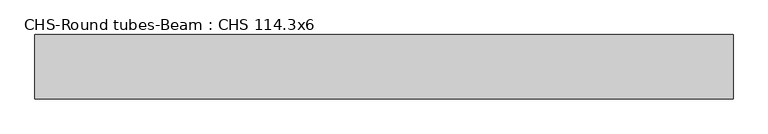
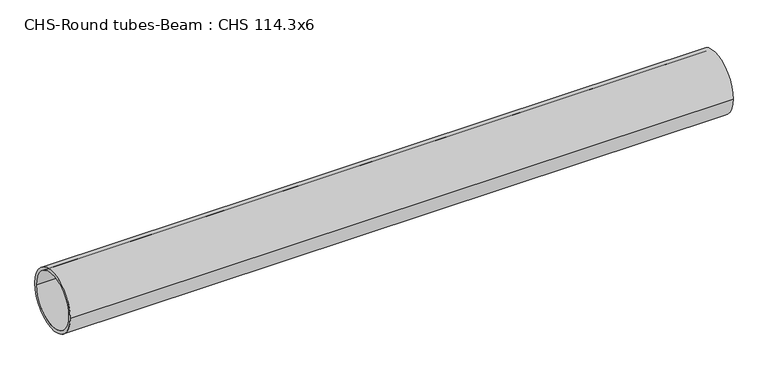
"""IFC4 building model written with IfcOpenShell, lengths in millimetres: beam geometry, CHS-Round tubes-Beam : CHS 114.3x6."""

from ifc_helpers import new_model, si_unit, point, frame, origin, origin_2d, place, context, project, spatial, circle_curve, trimmed, segment, composite_curve, outline, extrude, source, transform, mapped, element, save


def chs_round_tubes_beam_chs_114_3x6_23b4bf2a(model_context):
    return source(origin(), model_context, "Body", "SweptSolid", [
        extrude(outline(composite_curve([segment(trimmed(circle_curve(origin_2d(), 57.15), [point((57.15, 0.0))], [point((-57.15, 0.0))], False, "CARTESIAN"), True, "CONTINUOUS"), segment(trimmed(circle_curve(origin_2d(), 57.15), [point((-57.15, 0.0))], [point((57.15, 0.0))], False, "CARTESIAN"), True, "CONTINUOUS")], self_intersect=False), holes=[composite_curve([segment(trimmed(circle_curve(origin_2d(), 51.15), [point((51.15, 0.0))], [point((-51.15, 0.0))], True, "CARTESIAN"), True, "CONTINUOUS"), segment(trimmed(circle_curve(origin_2d(), 51.15), [point((-51.15, 0.0))], [point((51.15, 0.0))], True, "CARTESIAN"), True, "CONTINUOUS")], self_intersect=False)]), frame((-616.1511919, 0.0, 0.0), z_axis=(1.0, 0.0, 0.0), x_axis=(0.0, 1.0, 0.0)), (0.0, 0.0, 1.0), 1236.7016628),
    ])


if __name__ == "__main__":
    model = new_model("IFC4")
    model_context = context("Model", 3, world=origin())
    ifc_project = project(units=[si_unit("LENGTHUNIT", "METRE", prefix="MILLI")], contexts=[model_context])
    site = spatial("IfcSite", under=ifc_project)
    building = spatial("IfcBuilding", under=site)
    placement = place(None, origin())
    chs_round_tubes_beam_chs_114_3x6_shape = chs_round_tubes_beam_chs_114_3x6_23b4bf2a(model_context)
    element("IfcBeam", 1, ObjectType="CHS-Round tubes-Beam : CHS 114.3x6", at=placement, inside=building, context=model_context, shape_type="MappedRepresentation", body=[
        mapped(chs_round_tubes_beam_chs_114_3x6_shape, transform((0.0, 0.0, 0.0), x_axis=(1.0, 0.0, 0.0), y_axis=(0.0, 1.0, 0.0), z_axis=(0.0, 0.0, 1.0))),
    ])
    save(model, "model.ifc")
